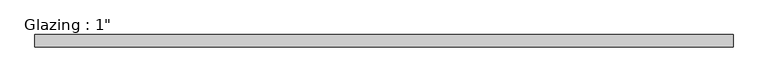
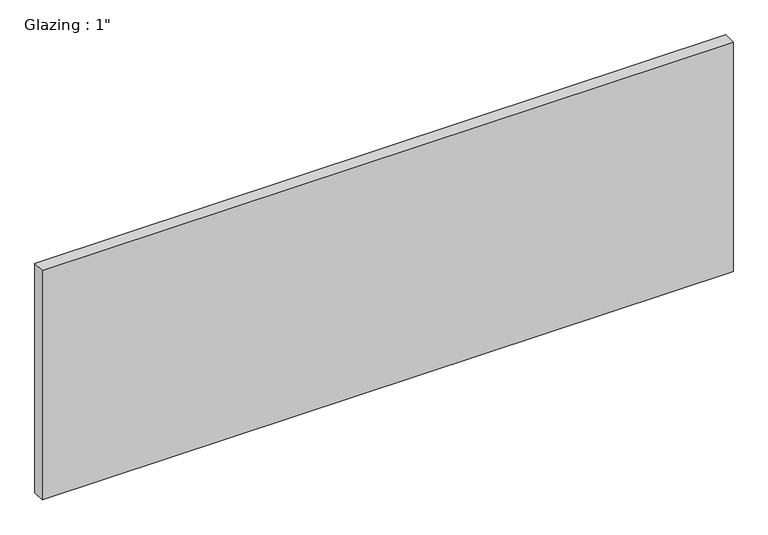
"""IFC4 building model written with IfcOpenShell, lengths in millimetres: plate geometry."""

from ifc_helpers import new_model, si_unit, origin, origin_with_axes, place, context, project, spatial, polyline, outline, extrude, source, transform, mapped, element, save


def plate_37689cc1(model_context):
    return source(origin(), model_context, "Body", "SweptSolid", [
        extrude(outline(polyline([(709.0776675, -12.7), (-709.0776675, -12.7), (-709.0776675, 12.7), (709.0776675, 12.7), (709.0776675, -12.7)])), origin_with_axes(), (0.0, 0.0, 1.0), 497.9851068),
    ])


if __name__ == "__main__":
    model = new_model("IFC4")
    model_context = context("Model", 3, world=origin())
    ifc_project = project(units=[si_unit("LENGTHUNIT", "METRE", prefix="MILLI")], contexts=[model_context])
    site = spatial("IfcSite", under=ifc_project)
    building = spatial("IfcBuilding", under=site)
    placement = place(None, origin())
    plate_shape = plate_37689cc1(model_context)
    element("IfcPlate", 1, ObjectType="Glazing : 1\"", at=placement, inside=building, context=model_context, shape_type="MappedRepresentation", body=[
        mapped(plate_shape, transform((0.0, 0.0, 0.0), x_axis=(1.0, 0.0, 0.0), y_axis=(0.0, 1.0, 0.0), z_axis=(0.0, 0.0, 1.0))),
    ])
    save(model, "model.ifc")
